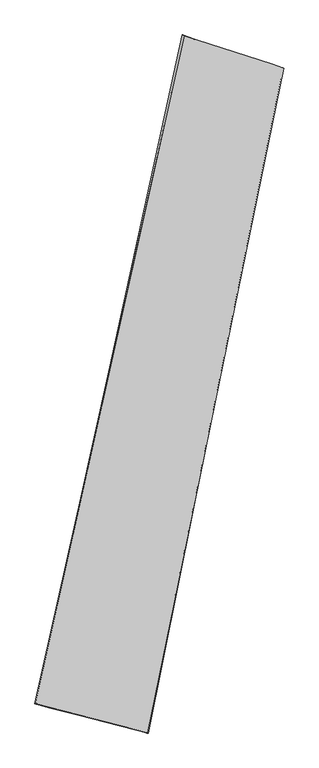
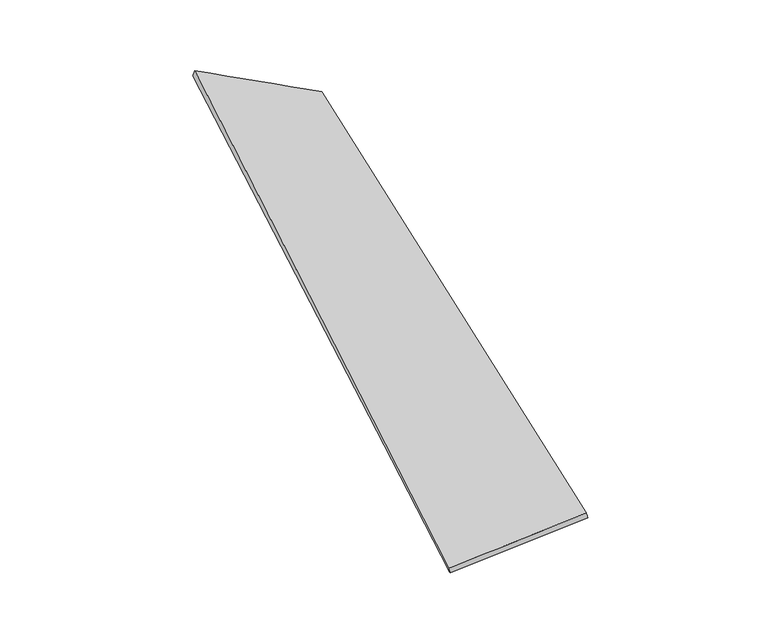
"""IFC4 building model written with IfcOpenShell, lengths in millimetres: proxy geometry."""

from ifc_helpers import new_model, si_unit, origin, place, context, project, spatial, source, transform, mapped, element, save
from ifc_brep_helpers import spline_surface, advanced_brep


def generic_models_4c2bc190(model_context):
    return source(origin(), model_context, "Body", "AdvancedBrep", [
        advanced_brep(
        [(-670.1463665, -1697.7041284, -96.6809955), (-678.9211322, -1697.2640372, -67.996334), (203.3540278, 2257.9262249, 134.9822392), (193.6575389, 2261.4894348, 106.8169833), (-15.4859715, -1866.6934107, 126.7215508), (794.2278271, 2065.4540651, -79.4526896), (-8.226932, -1869.6691809, 97.7655301), (784.7157595, 2065.8838745, -107.9015179)],
        [
            (0, 1),
            (1, 2),
            (2, 3),
            (3, 0),
            (1, 4),
            (4, 5),
            (5, 2),
            (4, 6),
            (6, 7),
            (7, 5),
            (6, 0),
            (3, 7),
        ],
        [
            spline_surface(1, 1, [[(-670.1463665, -1697.7041284, -96.6809955), (193.6575389, 2261.4894348, 106.8169833)], [(-678.9211322, -1697.2640372, -67.996334), (203.3540278, 2257.9262249, 134.9822392)]], [2, 2], [2, 2], [0.0, 1.0], [0.0, 1.0]),
            spline_surface(1, 1, [[(-678.9211322, -1697.2640372, -67.996334), (203.3540278, 2257.9262249, 134.9822392)], [(-15.4859715, -1866.6934107, 126.7215508), (794.2278271, 2065.4540651, -79.4526896)]], [2, 2], [2, 2], [0.0, 1.0], [0.0, 1.0]),
            spline_surface(1, 1, [[(-15.4859715, -1866.6934107, 126.7215508), (794.2278271, 2065.4540651, -79.4526896)], [(-8.226932, -1869.6691809, 97.7655301), (784.7157595, 2065.8838745, -107.9015179)]], [2, 2], [2, 2], [0.0, 1.0], [0.0, 1.0]),
            spline_surface(1, 1, [[(-8.226932, -1869.6691809, 97.7655301), (784.7157595, 2065.8838745, -107.9015179)], [(-670.1463665, -1697.7041284, -96.6809955), (193.6575389, 2261.4894348, 106.8169833)]], [2, 2], [2, 2], [0.0, 1.0], [0.0, 1.0]),
            spline_surface(1, 1, [[(203.3540278, 2257.9262249, 134.9822392), (193.6575389, 2261.4894348, 106.8169833)], [(794.2278271, 2065.4540651, -79.4526896), (784.7157595, 2065.8838745, -107.9015179)]], [2, 2], [2, 2], [0.0, 1.0], [0.0, 1.0]),
            spline_surface(1, 1, [[(-8.226932, -1869.6691809, 97.7655301), (-670.1463665, -1697.7041284, -96.6809955)], [(-15.4859715, -1866.6934107, 126.7215508), (-678.9211322, -1697.2640372, -67.996334)]], [2, 2], [2, 2], [0.0, 1.0], [0.0, 1.0]),
        ],
        [
            (0, [[1, 2, 3, 4]]),
            (1, [[5, 6, 7, -2]]),
            (2, [[8, 9, 10, -6]]),
            (3, [[11, -4, 12, -9]]),
            (4, [[-3, -7, -10, -12]]),
            (5, [[-11, -8, -5, -1]]),
        ],
    ),
    ])


if __name__ == "__main__":
    model = new_model("IFC4")
    model_context = context("Model", 3, world=origin())
    ifc_project = project(units=[si_unit("LENGTHUNIT", "METRE", prefix="MILLI")], contexts=[model_context])
    site = spatial("IfcSite", under=ifc_project)
    building = spatial("IfcBuilding", under=site)
    placement = place(None, origin())
    generic_models_shape = generic_models_4c2bc190(model_context)
    element("IfcBuildingElementProxy", 1, Name="Generic Models", at=placement, inside=building, context=model_context, shape_type="MappedRepresentation", body=[
        mapped(generic_models_shape, transform((0.0, 0.0, 0.0), x_axis=(1.0, 0.0, 0.0), y_axis=(0.0, 1.0, 0.0), z_axis=(0.0, 0.0, 1.0))),
    ])
    save(model, "model.ifc")
